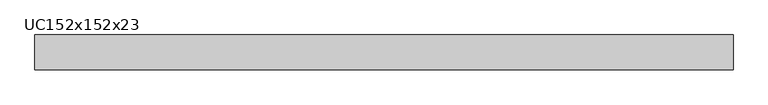
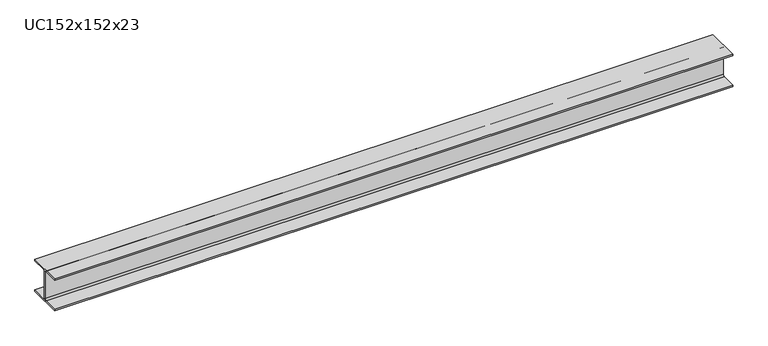
"""IFC4 building model written with IfcOpenShell, lengths in millimetres: beam geometry, UC152x152x23."""

from ifc_helpers import new_model, si_unit, point, frame, frame_2d, origin, place, context, project, spatial, polyline, circle_curve, trimmed, segment, composite_curve, outline, extrude, source, transform, mapped, element, save


def uc152x152x23_727ee570(model_context):
    return source(origin(), model_context, "Body", "SweptSolid", [
        extrude(outline(composite_curve([segment(polyline([(76.1, -69.4), (76.1, -76.2), (-76.1, -76.2), (-76.1, -69.4), (-10.5, -69.4)]), True, "CONTINUOUS"), segment(trimmed(circle_curve(frame_2d((-10.5, -61.8)), 7.6), [point((-10.5, -69.4))], [point((-2.9, -61.8))], True, "CARTESIAN"), True, "CONTINUOUS"), segment(polyline([(-2.9, -61.8), (-2.9, 61.8)]), True, "CONTINUOUS"), segment(trimmed(circle_curve(frame_2d((-10.5, 61.8)), 7.6), [point((-2.9, 61.8))], [point((-10.5, 69.4))], True, "CARTESIAN"), True, "CONTINUOUS"), segment(polyline([(-10.5, 69.4), (-76.1, 69.4), (-76.1, 76.2), (76.1, 76.2), (76.1, 69.4), (10.5, 69.4)]), True, "CONTINUOUS"), segment(trimmed(circle_curve(frame_2d((10.5, 61.8)), 7.6), [point((10.5, 69.4))], [point((2.9, 61.8))], True, "CARTESIAN"), True, "CONTINUOUS"), segment(polyline([(2.9, 61.8), (2.9, -61.8)]), True, "CONTINUOUS"), segment(trimmed(circle_curve(frame_2d((10.5, -61.8)), 7.6), [point((2.9, -61.8))], [point((10.5, -69.4))], True, "CARTESIAN"), True, "CONTINUOUS"), segment(polyline([(10.5, -69.4), (76.1, -69.4)]), True, "CONTINUOUS")], self_intersect=False)), frame((-1518.65, 0.0, 0.0), z_axis=(1.0, 0.0, 0.0), x_axis=(0.0, 1.0, 0.0)), (0.0, 0.0, 1.0), 3037.3),
    ])


if __name__ == "__main__":
    model = new_model("IFC4")
    model_context = context("Model", 3, world=origin())
    ifc_project = project(units=[si_unit("LENGTHUNIT", "METRE", prefix="MILLI")], contexts=[model_context])
    site = spatial("IfcSite", under=ifc_project)
    building = spatial("IfcBuilding", under=site)
    placement = place(None, origin())
    uc152x152x23_shape = uc152x152x23_727ee570(model_context)
    element("IfcBeam", 1, ObjectType="UC152x152x23", at=placement, inside=building, context=model_context, shape_type="MappedRepresentation", body=[
        mapped(uc152x152x23_shape, transform((0.0, 0.0, 0.0), x_axis=(1.0, 0.0, 0.0), y_axis=(0.0, 1.0, 0.0), z_axis=(0.0, 0.0, 1.0))),
    ])
    save(model, "model.ifc")
